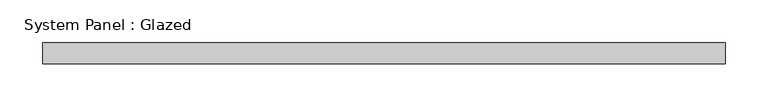
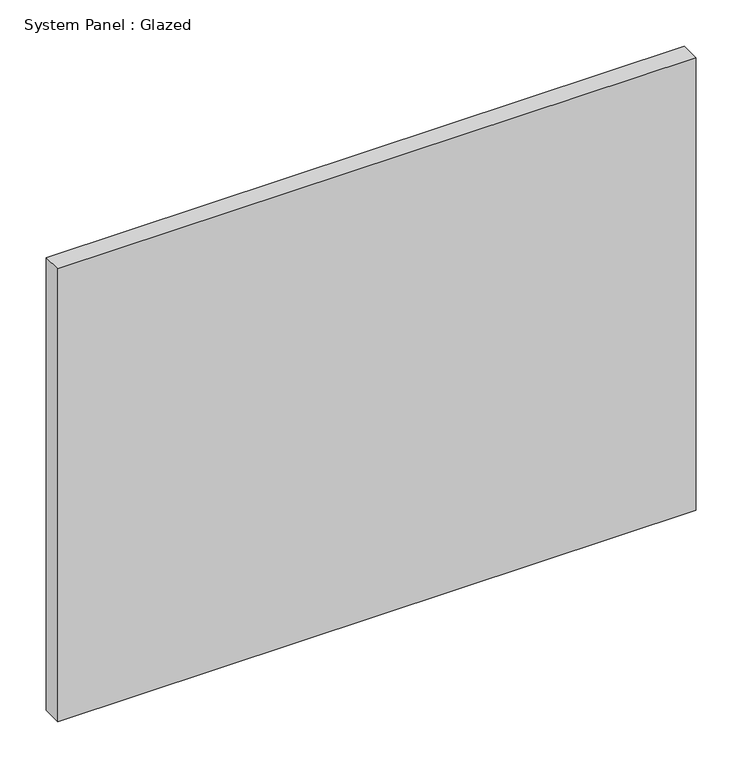
"""IFC4 building model written with IfcOpenShell, lengths in millimetres: plate geometry, System Panel : Glazed."""

from ifc_helpers import new_model, si_unit, origin, origin_with_axes, place, context, project, spatial, polyline, outline, extrude, source, transform, mapped, element, save


def system_panel_glazed_89ee0c7a(model_context):
    return source(origin(), model_context, "Body", "SweptSolid", [
        extrude(outline(polyline([(400.0, -37.5), (-400.0, -37.5), (-400.0, -12.5), (400.0, -12.5), (400.0, -37.5)])), origin_with_axes(), (0.0, 0.0, 1.0), 600.0),
    ])


if __name__ == "__main__":
    model = new_model("IFC4")
    model_context = context("Model", 3, world=origin())
    ifc_project = project(units=[si_unit("LENGTHUNIT", "METRE", prefix="MILLI")], contexts=[model_context])
    site = spatial("IfcSite", under=ifc_project)
    building = spatial("IfcBuilding", under=site)
    placement = place(None, origin())
    system_panel_glazed_shape = system_panel_glazed_89ee0c7a(model_context)
    element("IfcPlate", 1, ObjectType="System Panel : Glazed", at=placement, inside=building, context=model_context, shape_type="MappedRepresentation", body=[
        mapped(system_panel_glazed_shape, transform((0.0, 0.0, 0.0), x_axis=(1.0, 0.0, 0.0), y_axis=(0.0, 1.0, 0.0), z_axis=(0.0, 0.0, 1.0))),
    ])
    save(model, "model.ifc")
